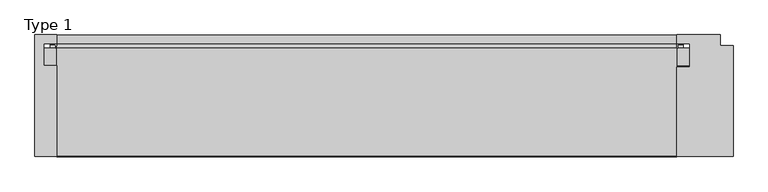
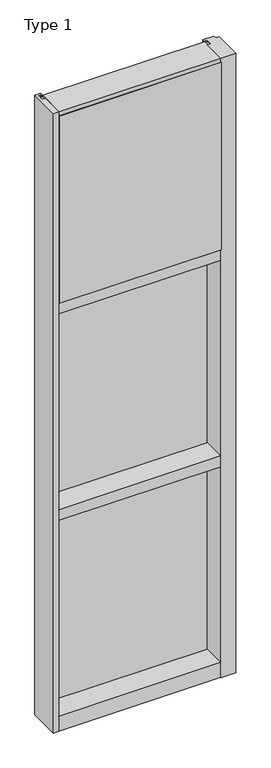
"""IFC4 building model written with IfcOpenShell, lengths in millimetres: plate geometry, Type 1."""

from ifc_helpers import new_model, si_unit, point, frame, frame_2d, origin, place, context, project, spatial, polyline, circle_curve, trimmed, segment, composite_curve, outline, extrude, source, transform, mapped, element, save


def type_1_4b96756b(model_context):
    return source(origin(), model_context, "Body", "SweptSolid", [
        extrude(outline(composite_curve([segment(polyline([(-452.5140008, 34.0361122), (-452.9249462, 27.686), (-453.8914521, 27.686), (-453.9189595, 31.7563748)]), True, "CONTINUOUS"), segment(trimmed(circle_curve(frame_2d((-454.553945, 31.7520836)), 0.635), [point((-453.9189595, 31.7563748))], [point((-454.5188642, 32.3861138))], True, "CARTESIAN"), True, "CONTINUOUS"), segment(polyline([(-454.5188642, 32.3861138), (-461.2742251, 32.7598869)]), True, "CONTINUOUS"), segment(trimmed(circle_curve(frame_2d((-461.0916718, 33.7593519)), 1.016), [point((-461.2742251, 32.7598869))], [point((-462.0692504, 34.0361122))], False, "CARTESIAN"), True, "CONTINUOUS"), segment(polyline([(-462.0692504, 34.0361122), (-452.5140008, 34.0361122)]), True, "CONTINUOUS")], self_intersect=False)), frame((0.0, 0.0, 2459.3728643), z_axis=(0.0, 0.0, 1.0), x_axis=(1.0, 0.0, 0.0)), (0.0, 0.0, 1.0), 1134.7271357),
        extrude(outline(composite_curve([segment(polyline([(452.9249462, 27.686), (452.5140008, 34.0361122), (462.0692504, 34.0361122)]), True, "CONTINUOUS"), segment(trimmed(circle_curve(frame_2d((461.0916718, 33.7593519)), 1.016), [point((462.0692504, 34.0361122))], [point((461.2742251, 32.7598869))], False, "CARTESIAN"), True, "CONTINUOUS"), segment(polyline([(461.2742251, 32.7598869), (454.5188642, 32.3861138)]), True, "CONTINUOUS"), segment(trimmed(circle_curve(frame_2d((454.553945, 31.7520836)), 0.635), [point((454.5188642, 32.3861138))], [point((453.9189595, 31.7563748))], True, "CARTESIAN"), True, "CONTINUOUS"), segment(polyline([(453.9189595, 31.7563748), (453.8914521, 27.686), (452.9249462, 27.686)]), True, "CONTINUOUS")], self_intersect=False)), frame((0.0, 0.0, 2459.3728643), z_axis=(0.0, 0.0, 1.0), x_axis=(1.0, 0.0, 0.0)), (0.0, 0.0, 1.0), 1134.7271357),
        extrude(outline(polyline([(34.0361122, 2459.3728643), (27.686, 2459.3728643), (27.686, 2471.8771952), (34.0361122, 2470.1238955), (34.0361122, 2459.3728643)])), frame((-462.0692504, 0.0, 0.0), z_axis=(1.0, 0.0, 0.0), x_axis=(0.0, 1.0, 0.0)), (0.0, 0.0, 1.0), 924.1385007),
        extrude(outline(polyline([(452.4375, -48.514), (452.4375, -131.0159103), (-452.4375, -131.0159103), (-452.4375, -48.514), (452.4375, -48.514)])), frame((0.0, 0.0, 2470.15), z_axis=(0.0, 0.0, 1.0), x_axis=(1.0, 0.0, 0.0)), (0.0, 0.0, 1.0), 1104.9),
        extrude(outline(polyline([(471.4875, 27.686), (471.4875, 2.286), (-471.4875, 2.286), (-471.4875, 27.686), (471.4875, 27.686)])), frame((0.0, 0.0, 2451.1), z_axis=(0.0, 0.0, 1.0), x_axis=(1.0, 0.0, 0.0)), (0.0, 0.0, 1.0), 1143.0),
        extrude(outline(polyline([(-484.1875, -130.5814), (-484.1875, 47.2186), (-452.4364108, 47.2186), (-452.4364108, 34.036), (-471.4875, 34.036), (-471.4875, 2.286), (-452.4375, 2.286), (-452.4375, -130.5814), (-484.1875, -130.5814)])), frame((0.0, 0.0, -57.15), z_axis=(0.0, 0.0, 1.0), x_axis=(1.0, 0.0, 0.0)), (0.0, 0.0, 1.0), 3657.6),
        extrude(outline(polyline([(452.4375, -130.5814), (452.4375, 0.0), (471.4875, 0.0), (471.4875, 34.036), (452.4375, 34.036), (452.4375, 47.2186), (515.9375, 47.2186), (515.9375, 31.3944), (534.9875, 31.3944), (534.9875, -130.5814), (452.4375, -130.5814)])), frame((0.0, 0.0, -57.15), z_axis=(0.0, 0.0, 1.0), x_axis=(1.0, 0.0, 0.0)), (0.0, 0.0, 1.0), 3657.6),
        extrude(outline(polyline([(27.686, 1252.6752684), (34.036, 1250.9219997), (34.036, 1240.1709644), (27.686, 1240.1709644), (27.686, 1252.6752684)])), frame((-462.0703713, 0.0, 0.0), z_axis=(1.0, 0.0, 0.0), x_axis=(0.0, 1.0, 0.0)), (0.0, 0.0, 1.0), 924.1407427),
        extrude(outline(polyline([(27.6860992, 2417.4309356), (34.0360992, 2417.4309356), (34.0360992, 2406.6798775), (27.6860992, 2404.9266088), (27.6860992, 2417.4309356)])), frame((-462.0703713, 0.0, 0.0), z_axis=(1.0, 0.0, 0.0), x_axis=(0.0, 1.0, 0.0)), (0.0, 0.0, 1.0), 924.1407427),
        extrude(outline(composite_curve([segment(trimmed(circle_curve(frame_2d((-454.5550342, 31.7520836)), 0.635), [point((-453.9200487, 31.7563748))], [point((-454.5199534, 32.3861138))], True, "CARTESIAN"), True, "CONTINUOUS"), segment(polyline([(-454.5199534, 32.3861138), (-461.2753143, 32.7598869)]), True, "CONTINUOUS"), segment(trimmed(circle_curve(frame_2d((-461.0927611, 33.7593519)), 1.016), [point((-461.2753143, 32.7598869))], [point((-462.0703713, 34.036))], False, "CARTESIAN"), True, "CONTINUOUS"), segment(polyline([(-462.0703713, 34.036), (-452.5150972, 34.036), (-452.9260354, 27.686), (-453.8925413, 27.686), (-453.9200487, 31.7563748)]), True, "CONTINUOUS")], self_intersect=False)), frame((0.0, 0.0, 1240.1709644), z_axis=(0.0, 0.0, 1.0), x_axis=(1.0, 0.0, 0.0)), (0.0, 0.0, 1.0), 1177.2580861),
        extrude(outline(composite_curve([segment(polyline([(452.9260354, 27.686), (452.5150972, 34.036), (462.0703713, 34.036)]), True, "CONTINUOUS"), segment(trimmed(circle_curve(frame_2d((461.0927611, 33.7593519)), 1.016), [point((462.0703713, 34.036))], [point((461.2753143, 32.7598869))], False, "CARTESIAN"), True, "CONTINUOUS"), segment(polyline([(461.2753143, 32.7598869), (454.5199534, 32.3861138)]), True, "CONTINUOUS"), segment(trimmed(circle_curve(frame_2d((454.5550342, 31.7520836)), 0.635), [point((454.5199534, 32.3861138))], [point((453.9200487, 31.7563748))], True, "CARTESIAN"), True, "CONTINUOUS"), segment(polyline([(453.9200487, 31.7563748), (453.8925413, 27.686), (452.9260354, 27.686)]), True, "CONTINUOUS")], self_intersect=False)), frame((0.0, 0.0, 1240.1709644), z_axis=(0.0, 0.0, 1.0), x_axis=(1.0, 0.0, 0.0)), (0.0, 0.0, 1.0), 1177.2580861),
        extrude(outline(polyline([(471.4885892, 27.686), (471.4885892, 2.286), (-471.4885892, 2.286), (-471.4885892, 27.686), (471.4885892, 27.686)])), frame((0.0, 0.0, 1231.8962001), z_axis=(0.0, 0.0, 1.0), x_axis=(1.0, 0.0, 0.0)), (0.0, 0.0, 1.0), 1193.8037999),
        extrude(outline(polyline([(27.686, 33.4752684), (34.036, 31.7219997), (34.036, 20.9709644), (27.686, 20.9709644), (27.686, 33.4752684)])), frame((-462.0703713, 0.0, 0.0), z_axis=(1.0, 0.0, 0.0), x_axis=(0.0, 1.0, 0.0)), (0.0, 0.0, 1.0), 924.1407427),
        extrude(outline(polyline([(27.6860992, 1198.2309356), (34.0360992, 1198.2309356), (34.0360992, 1187.4798775), (27.6860992, 1185.7266088), (27.6860992, 1198.2309356)])), frame((-462.0703713, 0.0, 0.0), z_axis=(1.0, 0.0, 0.0), x_axis=(0.0, 1.0, 0.0)), (0.0, 0.0, 1.0), 924.1407427),
        extrude(outline(composite_curve([segment(trimmed(circle_curve(frame_2d((-454.5550342, 31.7520836)), 0.635), [point((-453.9200487, 31.7563748))], [point((-454.5199534, 32.3861138))], True, "CARTESIAN"), True, "CONTINUOUS"), segment(polyline([(-454.5199534, 32.3861138), (-461.2753143, 32.7598869)]), True, "CONTINUOUS"), segment(trimmed(circle_curve(frame_2d((-461.0927611, 33.7593519)), 1.016), [point((-461.2753143, 32.7598869))], [point((-462.0703713, 34.036))], False, "CARTESIAN"), True, "CONTINUOUS"), segment(polyline([(-462.0703713, 34.036), (-452.5150972, 34.036), (-452.9260354, 27.686), (-453.8925413, 27.686), (-453.9200487, 31.7563748)]), True, "CONTINUOUS")], self_intersect=False)), frame((0.0, 0.0, 20.9709644), z_axis=(0.0, 0.0, 1.0), x_axis=(1.0, 0.0, 0.0)), (0.0, 0.0, 1.0), 1177.2580861),
        extrude(outline(composite_curve([segment(polyline([(452.9260354, 27.686), (452.5150972, 34.036), (462.0703713, 34.036)]), True, "CONTINUOUS"), segment(trimmed(circle_curve(frame_2d((461.0927611, 33.7593519)), 1.016), [point((462.0703713, 34.036))], [point((461.2753143, 32.7598869))], False, "CARTESIAN"), True, "CONTINUOUS"), segment(polyline([(461.2753143, 32.7598869), (454.5199534, 32.3861138)]), True, "CONTINUOUS"), segment(trimmed(circle_curve(frame_2d((454.5550342, 31.7520836)), 0.635), [point((454.5199534, 32.3861138))], [point((453.9200487, 31.7563748))], True, "CARTESIAN"), True, "CONTINUOUS"), segment(polyline([(453.9200487, 31.7563748), (453.8925413, 27.686), (452.9260354, 27.686)]), True, "CONTINUOUS")], self_intersect=False)), frame((0.0, 0.0, 20.9709644), z_axis=(0.0, 0.0, 1.0), x_axis=(1.0, 0.0, 0.0)), (0.0, 0.0, 1.0), 1177.2580861),
        extrude(outline(polyline([(471.4885892, 27.686), (471.4885892, 2.286), (-471.4885892, 2.286), (-471.4885892, 27.686), (471.4885892, 27.686)])), frame((0.0, 0.0, 12.6962001), z_axis=(0.0, 0.0, 1.0), x_axis=(1.0, 0.0, 0.0)), (0.0, 0.0, 1.0), 1193.8037999),
        extrude(outline(polyline([(0.0, 2470.15), (0.0, 2451.1), (34.13125, 2451.1), (34.13125, 2470.1462001), (46.83125, 2470.1462001), (46.83125, 2406.6462001), (34.13125, 2406.6462001), (34.13125, 2425.7), (0.0, 2425.7), (0.0, 2406.65), (-130.175, 2406.65), (-130.175, 2470.15), (0.0, 2470.15)])), frame((-452.4375, 0.0, 0.0), z_axis=(1.0, 0.0, 0.0), x_axis=(0.0, 1.0, 0.0)), (0.0, 0.0, 1.0), 904.875),
        extrude(outline(polyline([(-130.0734, 3600.45), (27.686, 3600.45), (27.686, 3594.1), (0.0, 3594.1), (0.0, 3575.051832), (-130.0734, 3575.051832), (-130.0734, 3600.45)])), frame((-452.4375, 0.0, 0.0), z_axis=(1.0, 0.0, 0.0), x_axis=(0.0, 1.0, 0.0)), (0.0, 0.0, 1.0), 904.875),
        extrude(outline(polyline([(0.0, 1250.95), (0.0, 1231.9), (34.13125, 1231.9), (34.13125, 1250.9462001), (46.83125, 1250.9462001), (46.83125, 1187.4462001), (34.13125, 1187.4462001), (34.13125, 1206.5), (0.0, 1206.5), (0.0, 1187.45), (-130.175, 1187.45), (-130.175, 1250.95), (0.0, 1250.95)])), frame((-452.4375, 0.0, 0.0), z_axis=(1.0, 0.0, 0.0), x_axis=(0.0, 1.0, 0.0)), (0.0, 0.0, 1.0), 904.875),
        extrude(outline(polyline([(0.0, 31.75), (0.0, 12.7), (34.13125, 12.7), (34.13125, 31.751832), (47.2186148, 31.751832), (47.2186148, -57.15), (-130.175, -57.15), (-130.175, 31.75), (0.0, 31.75)])), frame((-452.4375, 0.0, 0.0), z_axis=(1.0, 0.0, 0.0), x_axis=(0.0, 1.0, 0.0)), (0.0, 0.0, 1.0), 904.875),
    ])


if __name__ == "__main__":
    model = new_model("IFC4")
    model_context = context("Model", 3, world=origin())
    ifc_project = project(units=[si_unit("LENGTHUNIT", "METRE", prefix="MILLI")], contexts=[model_context])
    site = spatial("IfcSite", under=ifc_project)
    building = spatial("IfcBuilding", under=site)
    placement = place(None, origin())
    type_1_shape = type_1_4b96756b(model_context)
    element("IfcPlate", 1, ObjectType="Type 1", at=placement, inside=building, context=model_context, shape_type="MappedRepresentation", body=[
        mapped(type_1_shape, transform((0.0, 0.0, 0.0), x_axis=(1.0, 0.0, 0.0), y_axis=(0.0, 1.0, 0.0), z_axis=(0.0, 0.0, 1.0))),
    ])
    save(model, "model.ifc")
